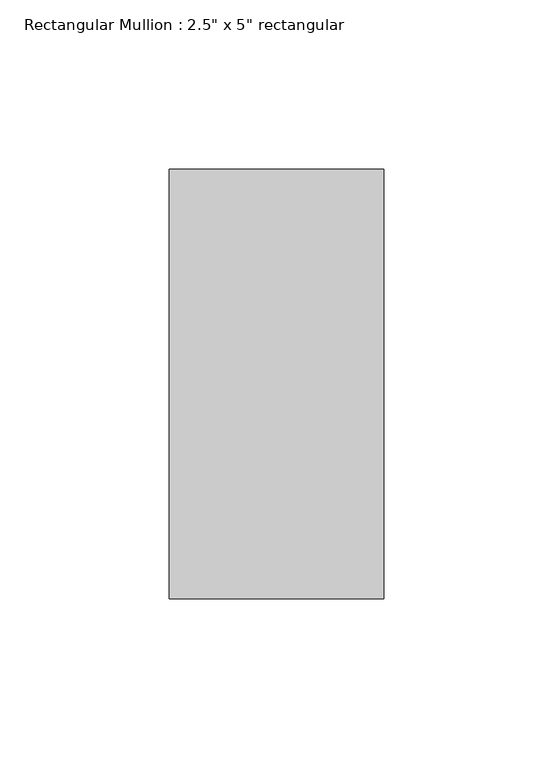
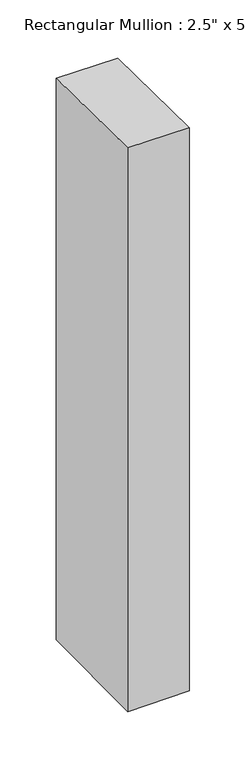
"""IFC4 building model written with IfcOpenShell, lengths in millimetres: member geometry."""

from ifc_helpers import new_model, si_unit, origin, place, context, project, spatial, faceted_brep, source, transform, mapped, element, save


def member_3fdcbc93(model_context):
    return source(origin(), model_context, "Body", "Brep", [
        faceted_brep([(-63.5, 63.5, -0.0889082), (0.0, 63.5, -0.7548316), (0.0, 63.5, -609.2871377), (-63.5, 63.5, -610.0551556), (-63.5, -63.5, 1.420755), (-63.5, -63.5, -611.5673665), (0.0, -63.5, 0.7548316), (0.0, -63.5, -610.7993486)], [[[0, 1, 2, 3]], [[4, 0, 3, 5]], [[6, 4, 5, 7]], [[1, 6, 7, 2]], [[1, 0, 4, 6]], [[2, 7, 5, 3]]]),
    ])


if __name__ == "__main__":
    model = new_model("IFC4")
    model_context = context("Model", 3, world=origin())
    ifc_project = project(units=[si_unit("LENGTHUNIT", "METRE", prefix="MILLI")], contexts=[model_context])
    site = spatial("IfcSite", under=ifc_project)
    building = spatial("IfcBuilding", under=site)
    placement = place(None, origin())
    member_shape = member_3fdcbc93(model_context)
    element("IfcMember", 1, ObjectType="Rectangular Mullion : 2.5\" x 5\" rectangular", at=placement, inside=building, context=model_context, shape_type="MappedRepresentation", body=[
        mapped(member_shape, transform((0.0, 0.0, 0.0), x_axis=(1.0, 0.0, 0.0), y_axis=(0.0, 1.0, 0.0), z_axis=(0.0, 0.0, 1.0))),
    ])
    save(model, "model.ifc")
